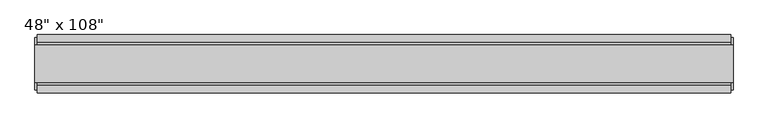
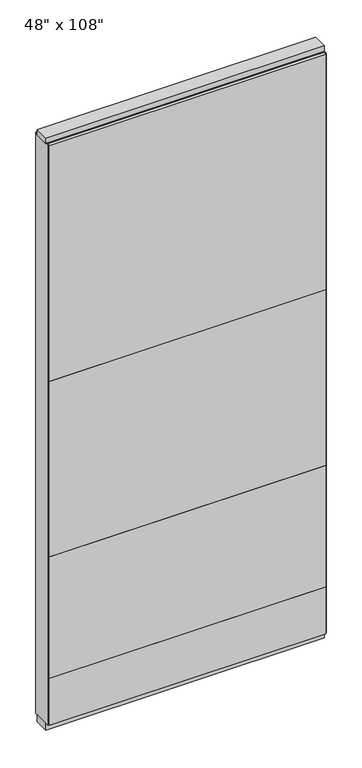
"""IFC4 building model written with IfcOpenShell, lengths in millimetres: furniture geometry."""

from ifc_helpers import new_model, si_unit, frame, origin, origin_with_axes, place, context, project, spatial, polyline, outline, extrude, source, transform, mapped, element, save


def furniture_a99bf26e(model_context):
    return source(origin(), model_context, "Body", "SweptSolid", [
        extrude(outline(polyline([(545.6264771, 46.2822784), (545.6264771, 33.5822784), (-665.6995229, 33.5822784), (-665.6995229, 46.2822784), (545.6264771, 46.2822784)])), frame((0.0, 0.0, 1625.6), z_axis=(0.0, 0.0, 1.0), x_axis=(1.0, 0.0, 0.0)), (0.0, 0.0, 1.0), 1092.2),
        extrude(outline(polyline([(545.6264771, 46.2822784), (545.6264771, 33.5822784), (-665.6995229, 33.5822784), (-665.6995229, 46.2822784), (545.6264771, 46.2822784)])), frame((0.0, 0.0, 812.8), z_axis=(0.0, 0.0, 1.0), x_axis=(1.0, 0.0, 0.0)), (0.0, 0.0, 1.0), 812.8),
        extrude(outline(polyline([(545.6264771, 46.2822784), (545.6264771, 33.5822784), (-665.6995229, 33.5822784), (-665.6995229, 46.2822784), (545.6264771, 46.2822784)])), frame((0.0, 0.0, 249.936), z_axis=(0.0, 0.0, 1.0), x_axis=(1.0, 0.0, 0.0)), (0.0, 0.0, 1.0), 562.864),
        extrude(outline(polyline([(545.6264771, -55.3177216), (-665.6995229, -55.3177216), (-665.6995229, -42.6177216), (545.6264771, -42.6177216), (545.6264771, -55.3177216)])), frame((0.0, 0.0, 1625.6), z_axis=(0.0, 0.0, 1.0), x_axis=(1.0, 0.0, 0.0)), (0.0, 0.0, 1.0), 1092.2),
        extrude(outline(polyline([(545.6264771, -55.3177216), (-665.6995229, -55.3177216), (-665.6995229, -42.6177216), (545.6264771, -42.6177216), (545.6264771, -55.3177216)])), frame((0.0, 0.0, 812.8), z_axis=(0.0, 0.0, 1.0), x_axis=(1.0, 0.0, 0.0)), (0.0, 0.0, 1.0), 812.8),
        extrude(outline(polyline([(545.6264771, -55.3177216), (-665.6995229, -55.3177216), (-665.6995229, -42.6177216), (545.6264771, -42.6177216), (545.6264771, -55.3177216)])), frame((0.0, 0.0, 249.936), z_axis=(0.0, 0.0, 1.0), x_axis=(1.0, 0.0, 0.0)), (0.0, 0.0, 1.0), 562.864),
        extrude(outline(polyline([(545.6264771, 46.2822784), (545.6264771, 33.5822784), (-665.6995229, 33.5822784), (-665.6995229, 46.2822784), (545.6264771, 46.2822784)])), frame((0.0, 0.0, 31.75), z_axis=(0.0, 0.0, 1.0), x_axis=(1.0, 0.0, 0.0)), (0.0, 0.0, 1.0), 218.186),
        extrude(outline(polyline([(545.6264771, -55.3177216), (-665.6995229, -55.3177216), (-665.6995229, -42.6177216), (545.6264771, -42.6177216), (545.6264771, -55.3177216)])), frame((0.0, 0.0, 31.75), z_axis=(0.0, 0.0, 1.0), x_axis=(1.0, 0.0, 0.0)), (0.0, 0.0, 1.0), 218.186),
        extrude(outline(polyline([(-42.6177216, 2681.478), (-42.6177216, 2717.8), (33.5822784, 2717.8), (33.5822784, 2681.478), (28.6292784, 2681.478), (28.6292784, 2676.525), (-37.6647216, 2676.525), (-37.6647216, 2681.478), (-42.6177216, 2681.478)])), frame((-665.6995229, 0.0, 0.0), z_axis=(1.0, 0.0, 0.0), x_axis=(0.0, 1.0, 0.0)), (0.0, 0.0, 1.0), 1211.326),
        extrude(outline(polyline([(549.5634771, 27.9942784), (549.5634771, -37.0297216), (-669.6365229, -37.0297216), (-669.6365229, 27.9942784), (549.5634771, 27.9942784)])), origin_with_axes(), (0.0, 0.0, 1.0), 31.75),
        extrude(outline(polyline([(-669.6365229, -37.0297216), (-669.6365229, 27.9942784), (549.5634771, 27.9942784), (549.5634771, -37.0297216), (-669.6365229, -37.0297216)])), frame((0.0, 0.0, 2717.8), z_axis=(0.0, 0.0, 1.0), x_axis=(1.0, 0.0, 0.0)), (0.0, 0.0, 1.0), 25.4),
        extrude(outline(polyline([(549.5634771, -50.3647216), (545.6264771, -50.3647216), (545.6264771, 41.3292784), (549.5634771, 41.3292784), (549.5634771, -50.3647216)])), frame((0.0, 0.0, 31.75), z_axis=(0.0, 0.0, 1.0), x_axis=(1.0, 0.0, 0.0)), (0.0, 0.0, 1.0), 2686.05),
        extrude(outline(polyline([(-669.6365229, -50.3647216), (-669.6365229, 41.3292784), (-665.6995229, 41.3292784), (-665.6995229, -50.3647216), (-669.6365229, -50.3647216)])), frame((0.0, 0.0, 31.75), z_axis=(0.0, 0.0, 1.0), x_axis=(1.0, 0.0, 0.0)), (0.0, 0.0, 1.0), 2686.05),
    ])


if __name__ == "__main__":
    model = new_model("IFC4")
    model_context = context("Model", 3, world=origin())
    ifc_project = project(units=[si_unit("LENGTHUNIT", "METRE", prefix="MILLI")], contexts=[model_context])
    site = spatial("IfcSite", under=ifc_project)
    building = spatial("IfcBuilding", under=site)
    placement = place(None, origin())
    furniture_shape = furniture_a99bf26e(model_context)
    element("IfcFurniture", 1, ObjectType="48\" x 108\"", at=placement, inside=building, context=model_context, shape_type="MappedRepresentation", body=[
        mapped(furniture_shape, transform((0.0, 0.0, 0.0), x_axis=(1.0, 0.0, 0.0), y_axis=(0.0, 1.0, 0.0), z_axis=(0.0, 0.0, 1.0))),
    ])
    save(model, "model.ifc")
